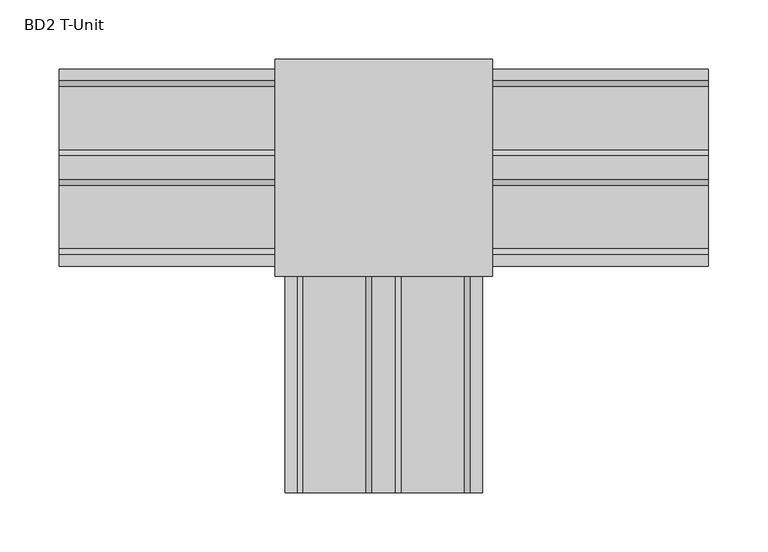
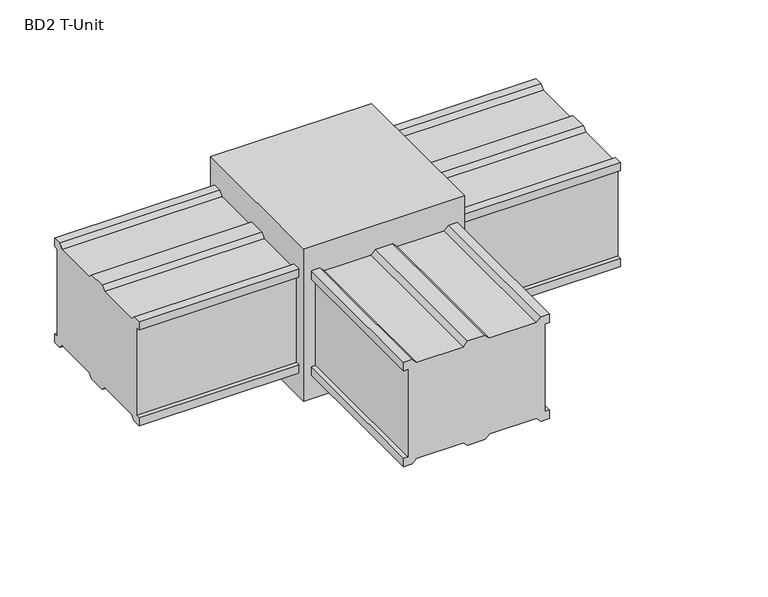
"""IFC4 building model written with IfcOpenShell, lengths in millimetres: proxy geometry, BD2 T-Unit."""

from ifc_helpers import new_model, si_unit, frame, origin, place, context, project, spatial, polyline, outline, extrude, source, transform, mapped, element, save


def bd2_t_unit_907416fb(model_context):
    return source(origin(), model_context, "Body", "SweptSolid", [
        extrude(outline(polyline([(367.0, 175.5), (367.0, -8.5), (183.0, -8.5), (183.0, 175.5), (367.0, 175.5)])), frame((0.0, 0.0, -29.0), z_axis=(0.0, 0.0, 1.0), x_axis=(1.0, 0.0, 0.0)), (0.0, 0.0, 1.0), 184.0),
        extrude(outline(polyline([(126.0, 201.5), (126.0, 191.5), (116.0, 191.5), (116.0, 196.5), (10.0, 196.5), (10.0, 191.5), (0.0, 191.5), (0.0, 201.5), (5.0, 206.5), (5.0, 260.0), (0.0, 265.0), (0.0, 285.0), (5.0, 290.0), (5.0, 343.5), (0.0, 348.5), (0.0, 358.5), (10.0, 358.5), (10.0, 353.5), (116.0, 353.5), (116.0, 358.5), (126.0, 358.5), (126.0, 348.5), (121.0, 343.5), (121.0, 290.0), (126.0, 285.0), (126.0, 265.0), (121.0, 260.0), (121.0, 206.5), (126.0, 201.5)])), frame((0.0, -191.5, 0.0), z_axis=(0.0, 1.0, 0.0), x_axis=(0.0, 0.0, 1.0)), (0.0, 0.0, 1.0), 275.0),
        extrude(outline(polyline([(167.0, 126.0), (167.0, 116.0), (162.0, 116.0), (162.0, 10.0), (167.0, 10.0), (167.0, 0.0), (157.0, 0.0), (152.0, 5.0), (98.5, 5.0), (93.5, 0.0), (73.5, 0.0), (68.5, 5.0), (15.0, 5.0), (10.0, 0.0), (0.0, 0.0), (0.0, 10.0), (5.0, 10.0), (5.0, 116.0), (0.0, 116.0), (0.0, 126.0), (10.0, 126.0), (15.0, 121.0), (68.5, 121.0), (73.5, 126.0), (93.5, 126.0), (98.5, 121.0), (152.0, 121.0), (157.0, 126.0), (167.0, 126.0)])), frame((0.0, 0.0, 0.0), z_axis=(1.0, 0.0, 0.0), x_axis=(0.0, 1.0, 0.0)), (0.0, 0.0, 1.0), 550.0),
    ])


if __name__ == "__main__":
    model = new_model("IFC4")
    model_context = context("Model", 3, world=origin())
    ifc_project = project(units=[si_unit("LENGTHUNIT", "METRE", prefix="MILLI")], contexts=[model_context])
    site = spatial("IfcSite", under=ifc_project)
    building = spatial("IfcBuilding", under=site)
    placement = place(None, origin())
    bd2_t_unit_shape = bd2_t_unit_907416fb(model_context)
    element("IfcBuildingElementProxy", 1, Name="BD2 T-Unit", ObjectType="BD2 T-Unit", at=placement, inside=building, context=model_context, shape_type="MappedRepresentation", body=[
        mapped(bd2_t_unit_shape, transform((0.0, 0.0, 0.0), x_axis=(1.0, 0.0, 0.0), y_axis=(0.0, 1.0, 0.0), z_axis=(0.0, 0.0, 1.0))),
    ])
    save(model, "model.ifc")
